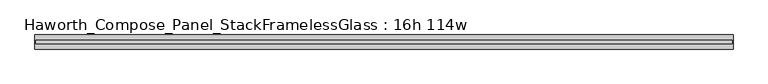
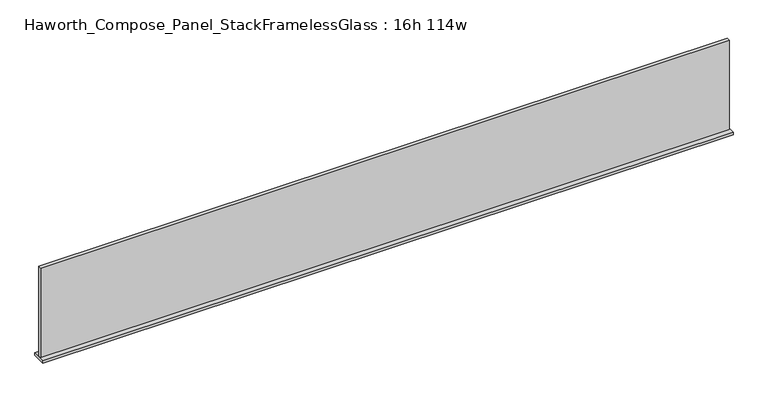
"""IFC4 building model written with IfcOpenShell, lengths in millimetres: furniture geometry, Haworth_Compose_Panel_StackFramelessGlass : 16h 114w."""

from ifc_helpers import new_model, si_unit, frame, origin, place, context, project, spatial, polyline, outline, extrude, source, transform, mapped, element, save


def haworth_compose_panel_stackframelessglass_16h_114w_dbc17f46(model_context):
    return source(origin(), model_context, "Body", "SweptSolid", [
        extrude(outline(polyline([(1447.0652902, -27.3093594), (-1442.1847098, -27.3093594), (-1442.1847098, -14.6093594), (1447.0652902, -14.6093594), (1447.0652902, -27.3093594)])), frame((0.0, 0.0, 1279.525), z_axis=(0.0, 0.0, 1.0), x_axis=(1.0, 0.0, 0.0)), (0.0, 0.0, 1.0), 396.875),
        extrude(outline(polyline([(-1445.3597098, -50.3281094), (-1445.3597098, 8.4093906), (1450.2402902, 8.4093906), (1450.2402902, -50.3281094), (-1445.3597098, -50.3281094)])), frame((0.0, 0.0, 1270.0), z_axis=(0.0, 0.0, 1.0), x_axis=(1.0, 0.0, 0.0)), (0.0, 0.0, 1.0), 9.525),
    ])


if __name__ == "__main__":
    model = new_model("IFC4")
    model_context = context("Model", 3, world=origin())
    ifc_project = project(units=[si_unit("LENGTHUNIT", "METRE", prefix="MILLI")], contexts=[model_context])
    site = spatial("IfcSite", under=ifc_project)
    building = spatial("IfcBuilding", under=site)
    placement = place(None, origin())
    haworth_compose_panel_stackframelessglass_16h_114w_shape = haworth_compose_panel_stackframelessglass_16h_114w_dbc17f46(model_context)
    element("IfcFurniture", 1, ObjectType="Haworth_Compose_Panel_StackFramelessGlass : 16h 114w", at=placement, inside=building, context=model_context, shape_type="MappedRepresentation", body=[
        mapped(haworth_compose_panel_stackframelessglass_16h_114w_shape, transform((0.0, 0.0, 0.0), x_axis=(1.0, 0.0, 0.0), y_axis=(0.0, 1.0, 0.0), z_axis=(0.0, 0.0, 1.0))),
    ])
    save(model, "model.ifc")
